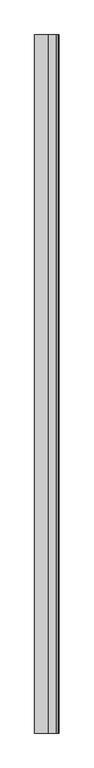
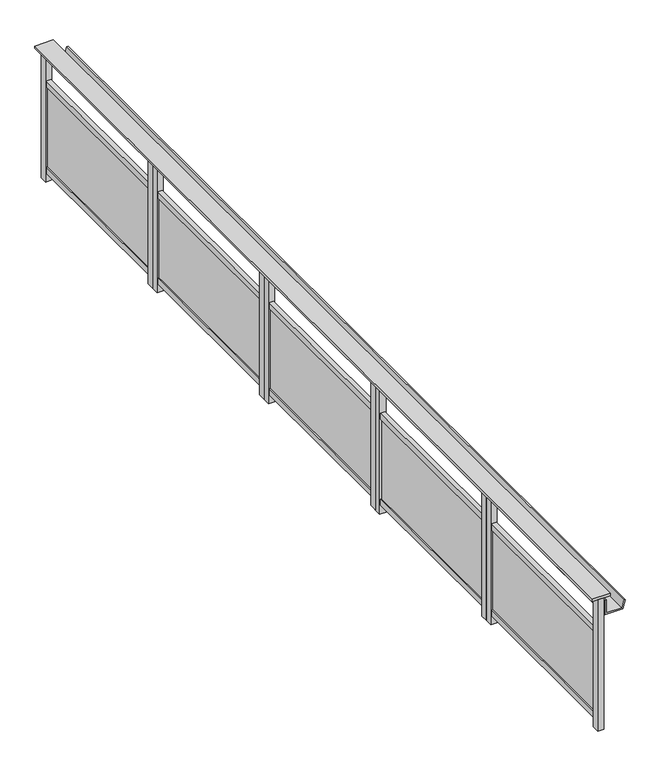
"""IFC4 building model written with IfcOpenShell, lengths in millimetres: railing geometry."""

import ifcopenshell
import ifcopenshell.guid

model = None  # the IFC model being written
_history = None  # IfcOwnerHistory: only IFC2X3 demands one
_inside = {}  # id of a spatial element -> (the spatial element, [elements in it])
_under = {}  # id of a project, library or spatial element -> (it, [spatial elements below it])
_declared = {}  # id of a project -> (the project, [libraries it declares])
_typed = {}  # id of a type object -> (the type object, [elements of that type])
_made_of = {}  # id of a material, layer set ... -> (it, [elements and type objects made of it])


def new_model(schema):
    """Start an empty IFC model of exactly this schema.

    Asked for "IFC4X3", IfcOpenShell would pick the latest addendum, in which some entities
    have other attributes; the version numbers below select the first issue.
    IFC2X3 requires an IfcOwnerHistory on every rooted entity: one is made here for all.
    """
    global model, _history
    if schema == "IFC4X3":
        model = ifcopenshell.file(schema_version=(4, 3, 0, 0))
    else:
        model = ifcopenshell.file(schema=schema)
    _inside.clear()
    _under.clear()
    _declared.clear()
    _typed.clear()
    _made_of.clear()
    _history = None
    if model.schema == "IFC2X3":
        org = make("IfcOrganization", Name="unknown")
        user = make(
            "IfcPersonAndOrganization",
            ThePerson=make("IfcPerson", FamilyName="unknown"),
            TheOrganization=org,
        )
        app = make(
            "IfcApplication",
            ApplicationDeveloper=org,
            Version="unknown",
            ApplicationFullName="unknown",
            ApplicationIdentifier="unknown",
        )
        _history = make(
            "IfcOwnerHistory",
            OwningUser=user,
            OwningApplication=app,
            ChangeAction="ADDED",
            CreationDate=0,
        )
    return model


def make(cls, **values):
    """One entity of the class cls with the attributes given. An attribute that is None is left unset."""
    return model.create_entity(
        cls, **{name: value for name, value in values.items() if value is not None}
    )


def rooted(cls, **values):
    """An entity with a GlobalId (a new one), such as an element, a storey or a relation."""
    return make(cls, GlobalId=ifcopenshell.guid.new(), OwnerHistory=_history, **values)


def si_unit(unit_type, name, prefix=None):
    """IfcSIUnit, for example si_unit("LENGTHUNIT", "METRE", prefix="MILLI")."""
    return make("IfcSIUnit", UnitType=unit_type, Prefix=prefix, Name=name)


def assignment(units):
    """IfcUnitAssignment: the units of a project."""
    return None if units is None else make("IfcUnitAssignment", Units=units)


def point(xyz):
    """IfcCartesianPoint."""
    return None if xyz is None else make("IfcCartesianPoint", Coordinates=xyz)


def direction(xyz):
    """IfcDirection."""
    return None if xyz is None else make("IfcDirection", DirectionRatios=xyz)


def frame(location, z_axis=None, x_axis=None):
    """IfcAxis2Placement3D, a coordinate frame: its origin and axes. An axis left out is left unset."""
    return make(
        "IfcAxis2Placement3D",
        Location=point(location),
        Axis=direction(z_axis),
        RefDirection=direction(x_axis),
    )


def origin():
    """The frame at (0, 0, 0) with its axes left unset."""
    return frame((0.0, 0.0, 0.0))


def origin_with_axes():
    """The frame at (0, 0, 0) with the z axis (0, 0, 1) and the x axis (1, 0, 0) written out."""
    return frame((0.0, 0.0, 0.0), z_axis=(0.0, 0.0, 1.0), x_axis=(1.0, 0.0, 0.0))


def place(relative_to, where):
    """IfcLocalPlacement: puts the frame where relative to a parent placement (None: the world)."""
    return make(
        "IfcLocalPlacement", PlacementRelTo=relative_to, RelativePlacement=where
    )


def context(
    kind, dimensions, precision=None, world=None, true_north=None, identifier=None
):
    """IfcGeometricRepresentationContext, for example the 3D "Model" context."""
    return make(
        "IfcGeometricRepresentationContext",
        ContextIdentifier=identifier,
        ContextType=kind,
        CoordinateSpaceDimension=dimensions,
        Precision=precision,
        WorldCoordinateSystem=world,
        TrueNorth=true_north,
    )


def project(units=None, contexts=None):
    """IfcProject with its units and contexts."""
    return rooted(
        "IfcProject",
        Name="project",
        RepresentationContexts=contexts,
        UnitsInContext=assignment(units),
    )


def spatial(cls, under=None, at=None, **own):
    """A site, building, storey or space (cls), placed at a placement, below another one or the project."""
    s = rooted(cls, ObjectPlacement=at, **own)
    if under is not None:
        _under.setdefault(under.id(), (under, []))[1].append(s)
    return s


def polyline(points):
    """IfcPolyline through the points."""
    return make("IfcPolyline", Points=[point(p) for p in points])


def outline(outer, holes=None, kind="AREA"):
    """IfcArbitraryClosedProfileDef: a profile drawn as a closed curve; with holes, ...WithVoids."""
    if holes is None:
        return make("IfcArbitraryClosedProfileDef", ProfileType=kind, OuterCurve=outer)
    return make(
        "IfcArbitraryProfileDefWithVoids",
        ProfileType=kind,
        OuterCurve=outer,
        InnerCurves=holes,
    )


def extrude(swept, where, along, depth):
    """IfcExtrudedAreaSolid: the profile swept, set in the frame where, extruded along a direction by depth."""
    return make(
        "IfcExtrudedAreaSolid",
        SweptArea=swept,
        Position=where,
        ExtrudedDirection=direction(along),
        Depth=depth,
    )


def shape(context_of_items, identifier, shape_type, items):
    """IfcShapeRepresentation: the items that make up one representation, for example the "Body"."""
    return make(
        "IfcShapeRepresentation",
        ContextOfItems=context_of_items,
        RepresentationIdentifier=identifier,
        RepresentationType=shape_type,
        Items=items,
    )


def source(mapping_origin, context_of_items, identifier, shape_type, items):
    """IfcRepresentationMap: a shape defined once, which mapped items show again and again."""
    return make(
        "IfcRepresentationMap",
        MappingOrigin=mapping_origin,
        MappedRepresentation=shape(context_of_items, identifier, shape_type, items),
    )


def transform(
    local_origin,
    x_axis=None,
    y_axis=None,
    z_axis=None,
    scale=None,
    scale2=None,
    scale3=None,
    uniform=True,
):
    """IfcCartesianTransformationOperator3D, or its non-uniform kind. x_axis, y_axis, z_axis: its Axis1, 2, 3."""
    if uniform:
        return make(
            "IfcCartesianTransformationOperator3D",
            Axis1=direction(x_axis),
            Axis2=direction(y_axis),
            LocalOrigin=point(local_origin),
            Scale=scale,
            Axis3=direction(z_axis),
        )
    return make(
        "IfcCartesianTransformationOperator3DnonUniform",
        Axis1=direction(x_axis),
        Axis2=direction(y_axis),
        LocalOrigin=point(local_origin),
        Scale=scale,
        Axis3=direction(z_axis),
        Scale2=scale2,
        Scale3=scale3,
    )


def mapped(mapping_source, mapping_target):
    """IfcMappedItem: shows the shape of a source again, moved by a transform."""
    return make(
        "IfcMappedItem", MappingSource=mapping_source, MappingTarget=mapping_target
    )


def made_of(thing, what):
    """Note that an element or type object is made of a material, layer set ...; save() writes the relation."""
    if what is not None:
        _made_of.setdefault(what.id(), (what, []))[1].append(thing)
    return thing


def element(
    cls,
    number,
    at=None,
    inside=None,
    cuts=None,
    type_object=None,
    material=None,
    context=None,
    identifier="Body",
    shape_type=None,
    held_by="IfcProductDefinitionShape",
    body=None,
    shapes=None,
    **own,
):
    """One element of the class cls, such as IfcWall. Its Tag is "e" and its number.

    at: its placement. inside: the storey or other place that contains it. cuts: it is an
    opening in that element (IfcRelVoidsElement). A single representation is given by context,
    identifier, shape_type and body (its items); several are given by shapes. held_by: the class
    of the entity that holds the representations. save() writes the other relations.
    """
    e = rooted(cls, Tag="e%d" % number, ObjectPlacement=at, **own)
    if body is not None:
        shapes = [shape(context, identifier, shape_type, body)]
    if shapes is not None:
        e.Representation = make(held_by, Representations=shapes)
    if inside is not None:
        _inside.setdefault(inside.id(), (inside, []))[1].append(e)
    if cuts is not None:
        rooted(
            "IfcRelVoidsElement", RelatingBuildingElement=cuts, RelatedOpeningElement=e
        )
    if type_object is not None:
        _typed.setdefault(type_object.id(), (type_object, []))[1].append(e)
    return made_of(e, material)


def aggregate(whole, parts):
    """IfcRelAggregates: a whole, such as a stair, and the parts it consists of."""
    return rooted("IfcRelAggregates", RelatingObject=whole, RelatedObjects=parts)


def save(model, path):
    """Write the relations noted so far, then the file.

    IfcRelAggregates (storeys below a building ...), IfcRelContainedInSpatialStructure (elements
    in a storey), IfcRelDefinesByType, IfcRelAssociatesMaterial and IfcRelDeclares: one each for
    every whole, place, type object, material and project.
    """
    for whole, parts in _under.values():
        aggregate(whole, parts)
    for where, things in _inside.values():
        rooted(
            "IfcRelContainedInSpatialStructure",
            RelatedElements=things,
            RelatingStructure=where,
        )
    for kind, things in _typed.values():
        rooted("IfcRelDefinesByType", RelatedObjects=things, RelatingType=kind)
    for what, things in _made_of.values():
        rooted("IfcRelAssociatesMaterial", RelatedObjects=things, RelatingMaterial=what)
    for by, libraries in _declared.values():
        rooted("IfcRelDeclares", RelatingContext=by, RelatedDefinitions=libraries)
    model.write(path)


def railing_a6e08821(model_context):
    return source(origin(), model_context, "Body", "SweptSolid", [
        extrude(outline(polyline([(6340.5303378, -25760.8033767), (6220.5303378, -25760.8033767), (6220.5303378, -19510.8033767), (6340.5303378, -19510.8033767), (6340.5303378, -25760.8033767)])), frame((0.0, 0.0, 899.8828423), z_axis=(0.0, 0.0, 1.0), x_axis=(1.0, 0.0, 0.0)), (0.0, 0.0, 1.0), 15.1171577),
        extrude(outline(polyline([(780.0, 6305.5303378), (780.0, 6422.7382617), (836.340031, 6437.8345275), (838.9282214, 6428.1752692), (790.0, 6415.0649918), (790.0, 6315.5303378), (880.0, 6315.5303378), (880.0, 6305.5303378), (780.0, 6305.5303378)])), frame((0.0, -25760.8033767, 0.0), z_axis=(0.0, 1.0, 0.0), x_axis=(0.0, 0.0, 1.0)), (0.0, 0.0, 1.0), 6250.0),
        extrude(outline(polyline([(6285.5303378, -19560.8026662), (6285.5303378, -20710.8038144), (6273.5303378, -20710.8038144), (6273.5303378, -19560.8026662), (6285.5303378, -19560.8026662)])), frame((0.0, 0.0, 100.0), z_axis=(0.0, 0.0, 1.0), x_axis=(1.0, 0.0, 0.0)), (0.0, 0.0, 1.0), 549.9990226),
        extrude(outline(polyline([(6295.5303378, -19560.8026662), (6295.5303378, -20710.8030382), (6265.5303378, -20710.8030382), (6265.5303378, -19560.8026662), (6295.5303378, -19560.8026662)])), frame((0.0, 0.0, 649.9990226), z_axis=(0.0, 0.0, 1.0), x_axis=(1.0, 0.0, 0.0)), (0.0, 0.0, 1.0), 40.0009774),
        extrude(outline(polyline([(6295.5303378, -19560.8026662), (6295.5303378, -20710.8030382), (6265.5303378, -20710.8030382), (6265.5303378, -19560.8026662), (6295.5303378, -19560.8026662)])), frame((0.0, 0.0, 60.0), z_axis=(0.0, 0.0, 1.0), x_axis=(1.0, 0.0, 0.0)), (0.0, 0.0, 1.0), 40.0),
        extrude(outline(polyline([(6300.5303378, -19510.8033767), (6300.5303378, -19560.8033767), (6260.5303378, -19560.8033767), (6260.5303378, -19510.8033767), (6300.5303378, -19510.8033767)])), origin_with_axes(), (0.0, 0.0, 1.0), 900.0),
        extrude(outline(polyline([(6300.5303378, -20710.8030382), (6300.5303378, -20760.8030382), (6260.5303378, -20760.8030382), (6260.5303378, -20710.8030382), (6300.5303378, -20710.8030382)])), origin_with_axes(), (0.0, 0.0, 1.0), 900.0),
        extrude(outline(polyline([(6285.5303378, -20811.8026662), (6285.5303378, -21961.8038144), (6273.5303378, -21961.8038144), (6273.5303378, -20811.8026662), (6285.5303378, -20811.8026662)])), frame((0.0, 0.0, 100.0), z_axis=(0.0, 0.0, 1.0), x_axis=(1.0, 0.0, 0.0)), (0.0, 0.0, 1.0), 549.9990226),
        extrude(outline(polyline([(6295.5303378, -20811.8026662), (6295.5303378, -21961.8030382), (6265.5303378, -21961.8030382), (6265.5303378, -20811.8026662), (6295.5303378, -20811.8026662)])), frame((0.0, 0.0, 649.9990226), z_axis=(0.0, 0.0, 1.0), x_axis=(1.0, 0.0, 0.0)), (0.0, 0.0, 1.0), 40.0009774),
        extrude(outline(polyline([(6295.5303378, -20811.8026662), (6295.5303378, -21961.8030382), (6265.5303378, -21961.8030382), (6265.5303378, -20811.8026662), (6295.5303378, -20811.8026662)])), frame((0.0, 0.0, 60.0), z_axis=(0.0, 0.0, 1.0), x_axis=(1.0, 0.0, 0.0)), (0.0, 0.0, 1.0), 40.0),
        extrude(outline(polyline([(6300.5303378, -20761.8033767), (6300.5303378, -20811.8033767), (6260.5303378, -20811.8033767), (6260.5303378, -20761.8033767), (6300.5303378, -20761.8033767)])), origin_with_axes(), (0.0, 0.0, 1.0), 900.0),
        extrude(outline(polyline([(6300.5303378, -21961.8030382), (6300.5303378, -22011.8030382), (6260.5303378, -22011.8030382), (6260.5303378, -21961.8030382), (6300.5303378, -21961.8030382)])), origin_with_axes(), (0.0, 0.0, 1.0), 900.0),
        extrude(outline(polyline([(6285.5303378, -22062.8026662), (6285.5303378, -23212.8038144), (6273.5303378, -23212.8038144), (6273.5303378, -22062.8026662), (6285.5303378, -22062.8026662)])), frame((0.0, 0.0, 100.0), z_axis=(0.0, 0.0, 1.0), x_axis=(1.0, 0.0, 0.0)), (0.0, 0.0, 1.0), 549.9990226),
        extrude(outline(polyline([(6295.5303378, -22062.8026662), (6295.5303378, -23212.8030382), (6265.5303378, -23212.8030382), (6265.5303378, -22062.8026662), (6295.5303378, -22062.8026662)])), frame((0.0, 0.0, 649.9990226), z_axis=(0.0, 0.0, 1.0), x_axis=(1.0, 0.0, 0.0)), (0.0, 0.0, 1.0), 40.0009774),
        extrude(outline(polyline([(6295.5303378, -22062.8026662), (6295.5303378, -23212.8030382), (6265.5303378, -23212.8030382), (6265.5303378, -22062.8026662), (6295.5303378, -22062.8026662)])), frame((0.0, 0.0, 60.0), z_axis=(0.0, 0.0, 1.0), x_axis=(1.0, 0.0, 0.0)), (0.0, 0.0, 1.0), 40.0),
        extrude(outline(polyline([(6300.5303378, -22012.8033767), (6300.5303378, -22062.8033767), (6260.5303378, -22062.8033767), (6260.5303378, -22012.8033767), (6300.5303378, -22012.8033767)])), origin_with_axes(), (0.0, 0.0, 1.0), 900.0),
        extrude(outline(polyline([(6300.5303378, -23212.8030382), (6300.5303378, -23262.8030382), (6260.5303378, -23262.8030382), (6260.5303378, -23212.8030382), (6300.5303378, -23212.8030382)])), origin_with_axes(), (0.0, 0.0, 1.0), 900.0),
        extrude(outline(polyline([(6285.5303378, -23311.8028355), (6285.5303378, -24461.8039837), (6273.5303378, -24461.8039837), (6273.5303378, -23311.8028355), (6285.5303378, -23311.8028355)])), frame((0.0, 0.0, 100.0), z_axis=(0.0, 0.0, 1.0), x_axis=(1.0, 0.0, 0.0)), (0.0, 0.0, 1.0), 549.9990226),
        extrude(outline(polyline([(6295.5303378, -23311.8028355), (6295.5303378, -24461.8032074), (6265.5303378, -24461.8032074), (6265.5303378, -23311.8028355), (6295.5303378, -23311.8028355)])), frame((0.0, 0.0, 649.9990226), z_axis=(0.0, 0.0, 1.0), x_axis=(1.0, 0.0, 0.0)), (0.0, 0.0, 1.0), 40.0009774),
        extrude(outline(polyline([(6295.5303378, -23311.8028355), (6295.5303378, -24461.8032074), (6265.5303378, -24461.8032074), (6265.5303378, -23311.8028355), (6295.5303378, -23311.8028355)])), frame((0.0, 0.0, 60.0), z_axis=(0.0, 0.0, 1.0), x_axis=(1.0, 0.0, 0.0)), (0.0, 0.0, 1.0), 40.0),
        extrude(outline(polyline([(6300.5303378, -23261.8035459), (6300.5303378, -23311.8035459), (6260.5303378, -23311.8035459), (6260.5303378, -23261.8035459), (6300.5303378, -23261.8035459)])), origin_with_axes(), (0.0, 0.0, 1.0), 900.0),
        extrude(outline(polyline([(6300.5303378, -24461.8032074), (6300.5303378, -24511.8032074), (6260.5303378, -24511.8032074), (6260.5303378, -24461.8032074), (6300.5303378, -24461.8032074)])), origin_with_axes(), (0.0, 0.0, 1.0), 900.0),
        extrude(outline(polyline([(6285.5303378, -24560.8030047), (6285.5303378, -25710.8041529), (6273.5303378, -25710.8041529), (6273.5303378, -24560.8030047), (6285.5303378, -24560.8030047)])), frame((0.0, 0.0, 100.0), z_axis=(0.0, 0.0, 1.0), x_axis=(1.0, 0.0, 0.0)), (0.0, 0.0, 1.0), 549.9990226),
        extrude(outline(polyline([(6295.5303378, -24560.8030047), (6295.5303378, -25710.8033767), (6265.5303378, -25710.8033767), (6265.5303378, -24560.8030047), (6295.5303378, -24560.8030047)])), frame((0.0, 0.0, 649.9990226), z_axis=(0.0, 0.0, 1.0), x_axis=(1.0, 0.0, 0.0)), (0.0, 0.0, 1.0), 40.0009774),
        extrude(outline(polyline([(6295.5303378, -24560.8030047), (6295.5303378, -25710.8033767), (6265.5303378, -25710.8033767), (6265.5303378, -24560.8030047), (6295.5303378, -24560.8030047)])), frame((0.0, 0.0, 60.0), z_axis=(0.0, 0.0, 1.0), x_axis=(1.0, 0.0, 0.0)), (0.0, 0.0, 1.0), 40.0),
        extrude(outline(polyline([(6300.5303378, -24510.8037152), (6300.5303378, -24560.8037152), (6260.5303378, -24560.8037152), (6260.5303378, -24510.8037152), (6300.5303378, -24510.8037152)])), origin_with_axes(), (0.0, 0.0, 1.0), 900.0),
        extrude(outline(polyline([(6300.5303378, -25710.8033767), (6300.5303378, -25760.8033767), (6260.5303378, -25760.8033767), (6260.5303378, -25710.8033767), (6300.5303378, -25710.8033767)])), origin_with_axes(), (0.0, 0.0, 1.0), 900.0),
    ])


if __name__ == "__main__":
    model = new_model("IFC4")
    model_context = context("Model", 3, world=origin())
    ifc_project = project(units=[si_unit("LENGTHUNIT", "METRE", prefix="MILLI")], contexts=[model_context])
    site = spatial("IfcSite", under=ifc_project)
    building = spatial("IfcBuilding", under=site)
    placement = place(None, origin())
    railing_shape = railing_a6e08821(model_context)
    element("IfcRailing", 1, at=placement, inside=building, context=model_context, shape_type="MappedRepresentation", body=[
        mapped(railing_shape, transform((0.0, 0.0, 0.0), x_axis=(1.0, 0.0, 0.0), y_axis=(0.0, 1.0, 0.0), z_axis=(0.0, 0.0, 1.0))),
    ])
    save(model, "model.ifc")
